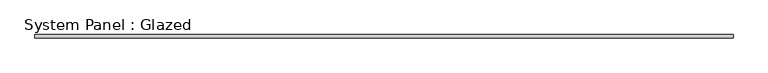
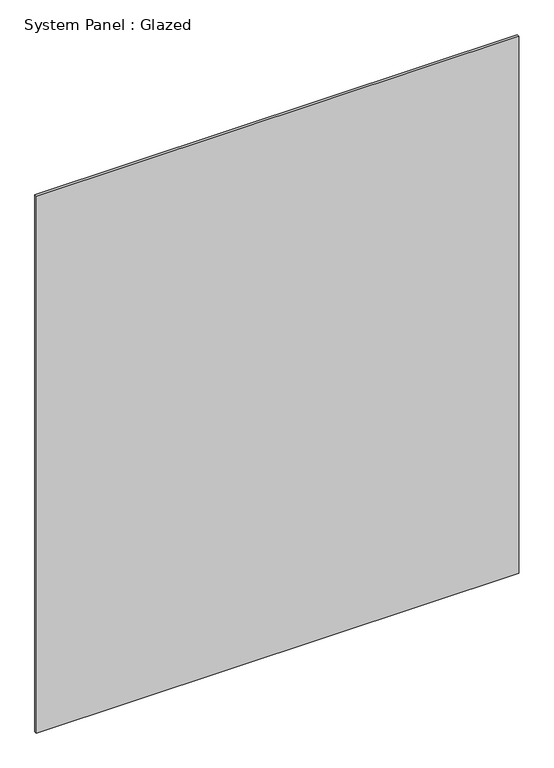
"""IFC4 building model written with IfcOpenShell, lengths in millimetres: plate geometry, System Panel : Glazed."""

from ifc_helpers import new_model, si_unit, origin, origin_with_axes, place, context, project, spatial, polyline, outline, extrude, source, transform, mapped, element, save


def system_panel_glazed_5abaf0a5(model_context):
    return source(origin(), model_context, "Body", "SweptSolid", [
        extrude(outline(polyline([(2590.8, 19.05), (-2590.8, 19.05), (-2590.8, 44.45), (2590.8, 44.45), (2590.8, 19.05)])), origin_with_axes(), (0.0, 0.0, 1.0), 6096.0),
    ])


if __name__ == "__main__":
    model = new_model("IFC4")
    model_context = context("Model", 3, world=origin())
    ifc_project = project(units=[si_unit("LENGTHUNIT", "METRE", prefix="MILLI")], contexts=[model_context])
    site = spatial("IfcSite", under=ifc_project)
    building = spatial("IfcBuilding", under=site)
    placement = place(None, origin())
    system_panel_glazed_shape = system_panel_glazed_5abaf0a5(model_context)
    element("IfcPlate", 1, ObjectType="System Panel : Glazed", at=placement, inside=building, context=model_context, shape_type="MappedRepresentation", body=[
        mapped(system_panel_glazed_shape, transform((0.0, 0.0, 0.0), x_axis=(1.0, 0.0, 0.0), y_axis=(0.0, 1.0, 0.0), z_axis=(0.0, 0.0, 1.0))),
    ])
    save(model, "model.ifc")
